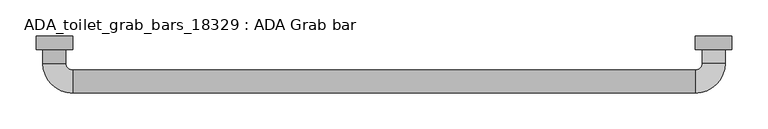
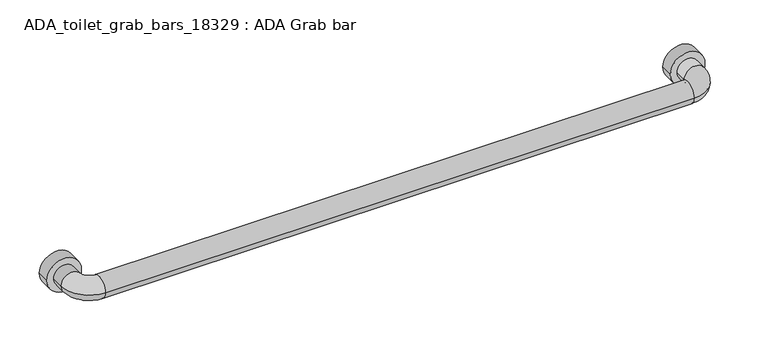
"""IFC4 building model written with IfcOpenShell, lengths in millimetres: proxy geometry, ADA_toilet_grab_bars_18329 : ADA Grab bar."""

import ifcopenshell
import ifcopenshell.guid

model = None  # the IFC model being written
_history = None  # IfcOwnerHistory: only IFC2X3 demands one
_inside = {}  # id of a spatial element -> (the spatial element, [elements in it])
_under = {}  # id of a project, library or spatial element -> (it, [spatial elements below it])
_declared = {}  # id of a project -> (the project, [libraries it declares])
_typed = {}  # id of a type object -> (the type object, [elements of that type])
_made_of = {}  # id of a material, layer set ... -> (it, [elements and type objects made of it])


def new_model(schema):
    """Start an empty IFC model of exactly this schema.

    Asked for "IFC4X3", IfcOpenShell would pick the latest addendum, in which some entities
    have other attributes; the version numbers below select the first issue.
    IFC2X3 requires an IfcOwnerHistory on every rooted entity: one is made here for all.
    """
    global model, _history
    if schema == "IFC4X3":
        model = ifcopenshell.file(schema_version=(4, 3, 0, 0))
    else:
        model = ifcopenshell.file(schema=schema)
    _inside.clear()
    _under.clear()
    _declared.clear()
    _typed.clear()
    _made_of.clear()
    _history = None
    if model.schema == "IFC2X3":
        org = make("IfcOrganization", Name="unknown")
        user = make(
            "IfcPersonAndOrganization",
            ThePerson=make("IfcPerson", FamilyName="unknown"),
            TheOrganization=org,
        )
        app = make(
            "IfcApplication",
            ApplicationDeveloper=org,
            Version="unknown",
            ApplicationFullName="unknown",
            ApplicationIdentifier="unknown",
        )
        _history = make(
            "IfcOwnerHistory",
            OwningUser=user,
            OwningApplication=app,
            ChangeAction="ADDED",
            CreationDate=0,
        )
    return model


def make(cls, **values):
    """One entity of the class cls with the attributes given. An attribute that is None is left unset."""
    return model.create_entity(
        cls, **{name: value for name, value in values.items() if value is not None}
    )


def rooted(cls, **values):
    """An entity with a GlobalId (a new one), such as an element, a storey or a relation."""
    return make(cls, GlobalId=ifcopenshell.guid.new(), OwnerHistory=_history, **values)


def si_unit(unit_type, name, prefix=None):
    """IfcSIUnit, for example si_unit("LENGTHUNIT", "METRE", prefix="MILLI")."""
    return make("IfcSIUnit", UnitType=unit_type, Prefix=prefix, Name=name)


def assignment(units):
    """IfcUnitAssignment: the units of a project."""
    return None if units is None else make("IfcUnitAssignment", Units=units)


def point(xyz):
    """IfcCartesianPoint."""
    return None if xyz is None else make("IfcCartesianPoint", Coordinates=xyz)


def direction(xyz):
    """IfcDirection."""
    return None if xyz is None else make("IfcDirection", DirectionRatios=xyz)


def frame(location, z_axis=None, x_axis=None):
    """IfcAxis2Placement3D, a coordinate frame: its origin and axes. An axis left out is left unset."""
    return make(
        "IfcAxis2Placement3D",
        Location=point(location),
        Axis=direction(z_axis),
        RefDirection=direction(x_axis),
    )


def frame_2d(location, x_axis=None):
    """IfcAxis2Placement2D, a coordinate frame in the plane: its origin and x axis."""
    return make(
        "IfcAxis2Placement2D", Location=point(location), RefDirection=direction(x_axis)
    )


def origin():
    """The frame at (0, 0, 0) with its axes left unset."""
    return frame((0.0, 0.0, 0.0))


def place(relative_to, where):
    """IfcLocalPlacement: puts the frame where relative to a parent placement (None: the world)."""
    return make(
        "IfcLocalPlacement", PlacementRelTo=relative_to, RelativePlacement=where
    )


def context(
    kind, dimensions, precision=None, world=None, true_north=None, identifier=None
):
    """IfcGeometricRepresentationContext, for example the 3D "Model" context."""
    return make(
        "IfcGeometricRepresentationContext",
        ContextIdentifier=identifier,
        ContextType=kind,
        CoordinateSpaceDimension=dimensions,
        Precision=precision,
        WorldCoordinateSystem=world,
        TrueNorth=true_north,
    )


def project(units=None, contexts=None):
    """IfcProject with its units and contexts."""
    return rooted(
        "IfcProject",
        Name="project",
        RepresentationContexts=contexts,
        UnitsInContext=assignment(units),
    )


def spatial(cls, under=None, at=None, **own):
    """A site, building, storey or space (cls), placed at a placement, below another one or the project."""
    s = rooted(cls, ObjectPlacement=at, **own)
    if under is not None:
        _under.setdefault(under.id(), (under, []))[1].append(s)
    return s


def circle_curve(where, radius):
    """IfcCircle in the frame where."""
    return make("IfcCircle", Position=where, Radius=radius)


def ellipse_curve(where, semi_axis1, semi_axis2):
    """IfcEllipse in the frame where."""
    return make(
        "IfcEllipse", Position=where, SemiAxis1=semi_axis1, SemiAxis2=semi_axis2
    )


def trimmed(basis, trim1, trim2, sense, master):
    """IfcTrimmedCurve: the piece of a basis curve between two trims."""
    return make(
        "IfcTrimmedCurve",
        BasisCurve=basis,
        Trim1=trim1,
        Trim2=trim2,
        SenseAgreement=sense,
        MasterRepresentation=master,
    )


def segment(curve, same_sense, transition):
    """IfcCompositeCurveSegment."""
    return make(
        "IfcCompositeCurveSegment",
        Transition=transition,
        SameSense=same_sense,
        ParentCurve=curve,
    )


def composite_curve(segments, self_intersect=None):
    """IfcCompositeCurve: segments joined end to end."""
    return make("IfcCompositeCurve", Segments=segments, SelfIntersect=self_intersect)


def outline(outer, holes=None, kind="AREA"):
    """IfcArbitraryClosedProfileDef: a profile drawn as a closed curve; with holes, ...WithVoids."""
    if holes is None:
        return make("IfcArbitraryClosedProfileDef", ProfileType=kind, OuterCurve=outer)
    return make(
        "IfcArbitraryProfileDefWithVoids",
        ProfileType=kind,
        OuterCurve=outer,
        InnerCurves=holes,
    )


def extrude(swept, where, along, depth):
    """IfcExtrudedAreaSolid: the profile swept, set in the frame where, extruded along a direction by depth."""
    return make(
        "IfcExtrudedAreaSolid",
        SweptArea=swept,
        Position=where,
        ExtrudedDirection=direction(along),
        Depth=depth,
    )


def shape(context_of_items, identifier, shape_type, items):
    """IfcShapeRepresentation: the items that make up one representation, for example the "Body"."""
    return make(
        "IfcShapeRepresentation",
        ContextOfItems=context_of_items,
        RepresentationIdentifier=identifier,
        RepresentationType=shape_type,
        Items=items,
    )


def source(mapping_origin, context_of_items, identifier, shape_type, items):
    """IfcRepresentationMap: a shape defined once, which mapped items show again and again."""
    return make(
        "IfcRepresentationMap",
        MappingOrigin=mapping_origin,
        MappedRepresentation=shape(context_of_items, identifier, shape_type, items),
    )


def transform(
    local_origin,
    x_axis=None,
    y_axis=None,
    z_axis=None,
    scale=None,
    scale2=None,
    scale3=None,
    uniform=True,
):
    """IfcCartesianTransformationOperator3D, or its non-uniform kind. x_axis, y_axis, z_axis: its Axis1, 2, 3."""
    if uniform:
        return make(
            "IfcCartesianTransformationOperator3D",
            Axis1=direction(x_axis),
            Axis2=direction(y_axis),
            LocalOrigin=point(local_origin),
            Scale=scale,
            Axis3=direction(z_axis),
        )
    return make(
        "IfcCartesianTransformationOperator3DnonUniform",
        Axis1=direction(x_axis),
        Axis2=direction(y_axis),
        LocalOrigin=point(local_origin),
        Scale=scale,
        Axis3=direction(z_axis),
        Scale2=scale2,
        Scale3=scale3,
    )


def mapped(mapping_source, mapping_target):
    """IfcMappedItem: shows the shape of a source again, moved by a transform."""
    return make(
        "IfcMappedItem", MappingSource=mapping_source, MappingTarget=mapping_target
    )


def made_of(thing, what):
    """Note that an element or type object is made of a material, layer set ...; save() writes the relation."""
    if what is not None:
        _made_of.setdefault(what.id(), (what, []))[1].append(thing)
    return thing


def element(
    cls,
    number,
    at=None,
    inside=None,
    cuts=None,
    type_object=None,
    material=None,
    context=None,
    identifier="Body",
    shape_type=None,
    held_by="IfcProductDefinitionShape",
    body=None,
    shapes=None,
    **own,
):
    """One element of the class cls, such as IfcWall. Its Tag is "e" and its number.

    at: its placement. inside: the storey or other place that contains it. cuts: it is an
    opening in that element (IfcRelVoidsElement). A single representation is given by context,
    identifier, shape_type and body (its items); several are given by shapes. held_by: the class
    of the entity that holds the representations. save() writes the other relations.
    """
    e = rooted(cls, Tag="e%d" % number, ObjectPlacement=at, **own)
    if body is not None:
        shapes = [shape(context, identifier, shape_type, body)]
    if shapes is not None:
        e.Representation = make(held_by, Representations=shapes)
    if inside is not None:
        _inside.setdefault(inside.id(), (inside, []))[1].append(e)
    if cuts is not None:
        rooted(
            "IfcRelVoidsElement", RelatingBuildingElement=cuts, RelatedOpeningElement=e
        )
    if type_object is not None:
        _typed.setdefault(type_object.id(), (type_object, []))[1].append(e)
    return made_of(e, material)


def aggregate(whole, parts):
    """IfcRelAggregates: a whole, such as a stair, and the parts it consists of."""
    return rooted("IfcRelAggregates", RelatingObject=whole, RelatedObjects=parts)


def save(model, path):
    """Write the relations noted so far, then the file.

    IfcRelAggregates (storeys below a building ...), IfcRelContainedInSpatialStructure (elements
    in a storey), IfcRelDefinesByType, IfcRelAssociatesMaterial and IfcRelDeclares: one each for
    every whole, place, type object, material and project.
    """
    for whole, parts in _under.values():
        aggregate(whole, parts)
    for where, things in _inside.values():
        rooted(
            "IfcRelContainedInSpatialStructure",
            RelatedElements=things,
            RelatingStructure=where,
        )
    for kind, things in _typed.values():
        rooted("IfcRelDefinesByType", RelatedObjects=things, RelatingType=kind)
    for what, things in _made_of.values():
        rooted("IfcRelAssociatesMaterial", RelatedObjects=things, RelatingMaterial=what)
    for by, libraries in _declared.values():
        rooted("IfcRelDeclares", RelatingContext=by, RelatedDefinitions=libraries)
    model.write(path)


def plane_surface(at):
    """IfcPlane: the flat surface through the origin of the frame at, square to its z axis."""
    return make("IfcPlane", Position=at)


def cylinder_surface(at, radius):
    """IfcCylindricalSurface: all points at the distance radius from the z axis of the frame at."""
    return make("IfcCylindricalSurface", Position=at, Radius=radius)


def revolved_surface(curve, axis_point, axis_direction):
    """IfcSurfaceOfRevolution: the curve turned about the line through axis_point along axis_direction."""
    return make(
        "IfcSurfaceOfRevolution",
        SweptCurve=make("IfcArbitraryOpenProfileDef", ProfileType="CURVE", Curve=curve),
        AxisPosition=make("IfcAxis1Placement", Location=point(axis_point), Axis=direction(axis_direction)),
    )


def advanced_brep(points, edges, surfaces, faces):
    """IfcAdvancedBrep: a solid bounded by faces that lie on surfaces and meet in shared edges.

    An edge is (start, end): straight between two places in points (the first is 0);
    or (start, end, curve); or (start, end, curve, False) where it runs against its curve.
    A face is (place in surfaces, loops), or (place, loops, False) where it looks against
    its surface's normal. A loop lists edges by number (the first is 1), with a minus sign
    where the edge is run from its end to its start. The first loop is the outer one.
    """
    corners = [point(p) for p in points]
    vertices = [make("IfcVertexPoint", VertexGeometry=c) for c in corners]
    made = []
    for start, end, *more in edges:
        made.append(
            make(
                "IfcEdgeCurve",
                EdgeStart=vertices[start],
                EdgeEnd=vertices[end],
                EdgeGeometry=more[0] if more else make("IfcPolyline", Points=[corners[start], corners[end]]),
                SameSense=more[1] if len(more) > 1 else True,
            )
        )
    hull = []
    for where, loops, *sense in faces:
        bounds = []
        for j, loop in enumerate(loops):
            ring = [make("IfcOrientedEdge", EdgeElement=made[abs(k) - 1], Orientation=k > 0) for k in loop]
            bounds.append(
                make(
                    "IfcFaceOuterBound" if j == 0 else "IfcFaceBound",
                    Bound=make("IfcEdgeLoop", EdgeList=ring),
                    Orientation=True,
                )
            )
        hull.append(make("IfcAdvancedFace", Bounds=bounds, FaceSurface=surfaces[where], SameSense=sense[0] if sense else True))
    return make("IfcAdvancedBrep", Outer=make("IfcClosedShell", CfsFaces=hull))


def ada_toilet_grab_bars_18329_ada_grab_bar_c1a410b9(model_context):
    return source(origin(), model_context, "Body", "SolidModel", [
        extrude(outline(composite_curve([segment(trimmed(circle_curve(frame_2d((863.6, -152.4)), 25.4), [point((863.6, -177.8))], [point((863.6, -127.0))], False, "CARTESIAN"), True, "CONTINUOUS"), segment(trimmed(circle_curve(frame_2d((863.6, -152.4)), 25.4), [point((863.6, -127.0))], [point((863.6, -177.8))], False, "CARTESIAN"), True, "CONTINUOUS")], self_intersect=False)), frame((0.0, -19.05, 0.0), z_axis=(0.0, 1.0, 0.0), x_axis=(0.0, 0.0, 1.0)), (0.0, 0.0, 1.0), 19.05),
        extrude(outline(composite_curve([segment(trimmed(circle_curve(frame_2d((863.6, -1066.8)), 25.4), [point((863.6, -1092.2))], [point((863.6, -1041.4))], False, "CARTESIAN"), True, "CONTINUOUS"), segment(trimmed(circle_curve(frame_2d((863.6, -1066.8)), 25.4), [point((863.6, -1041.4))], [point((863.6, -1092.2))], False, "CARTESIAN"), True, "CONTINUOUS")], self_intersect=False)), frame((0.0, -19.05, 0.0), z_axis=(0.0, 1.0, 0.0), x_axis=(0.0, 0.0, 1.0)), (0.0, 0.0, 1.0), 19.05),
        advanced_brep(
        [(-1050.925, -19.05, 863.6), (-1082.675, -19.05, 863.6), (-1082.675, -38.1, 863.6), (-1050.925, -38.1, 863.6), (-1041.4, -79.375, 863.6), (-1041.4, -47.625, 863.6), (-177.8, -79.375, 863.6), (-177.8, -47.625, 863.6), (-136.525, -38.1, 863.6), (-168.275, -38.1, 863.6), (-168.275, -19.05, 863.6), (-136.525, -19.05, 863.6)],
        [
            (0, 1, circle_curve(frame((-1066.8, -19.05, 863.6), z_axis=(0.0, 1.0, 0.0), x_axis=(-1.0, 0.0, 0.0)), 15.875)),
            (1, 0, circle_curve(frame((-1066.8, -19.05, 863.6), z_axis=(0.0, 1.0, 0.0), x_axis=(-1.0, 0.0, 0.0)), 15.875)),
            (1, 2),
            (2, 3, circle_curve(frame((-1066.8, -38.1, 863.6), z_axis=(0.0, 1.0, 0.0), x_axis=(-1.0, 0.0, 0.0)), 15.875)),
            (3, 0),
            (3, 2, circle_curve(frame((-1066.8, -38.1, 863.6), z_axis=(0.0, 1.0, 0.0), x_axis=(-1.0, 0.0, 0.0)), 15.875)),
            (4, 5, circle_curve(frame((-1041.4, -63.5, 863.6), z_axis=(-1.0, 0.0, 0.0), x_axis=(0.0, -1.0, 0.0)), 15.875)),
            (5, 3, circle_curve(frame((-1041.4, -38.1, 863.6), z_axis=(0.0, 0.0, -1.0), x_axis=(-1.0, 0.0, 0.0)), 9.525)),
            (2, 4, circle_curve(frame((-1041.4, -38.1, 863.6), z_axis=(0.0, 0.0, 1.0), x_axis=(-1.0, 0.0, 0.0)), 41.275)),
            (5, 4, circle_curve(frame((-1041.4, -63.5, 863.6), z_axis=(-1.0, 0.0, 0.0), x_axis=(0.0, -1.0, 0.0)), 15.875)),
            (4, 6),
            (6, 7, circle_curve(frame((-177.8, -63.5, 863.6), z_axis=(-1.0, 0.0, 0.0), x_axis=(0.0, -1.0, 0.0)), 15.875)),
            (7, 5),
            (7, 6, circle_curve(frame((-177.8, -63.5, 863.6), z_axis=(-1.0, 0.0, 0.0), x_axis=(0.0, -1.0, 0.0)), 15.875)),
            (8, 9, circle_curve(frame((-152.4, -38.1, 863.6), z_axis=(0.0, -1.0, 0.0), x_axis=(1.0, 0.0, 0.0)), 15.875)),
            (9, 7, circle_curve(frame((-177.8, -38.1, 863.6), z_axis=(0.0, 0.0, -1.0), x_axis=(0.0, -1.0, 0.0)), 9.525)),
            (6, 8, circle_curve(frame((-177.8, -38.1, 863.6), z_axis=(0.0, 0.0, 1.0), x_axis=(0.0, -1.0, 0.0)), 41.275)),
            (9, 8, circle_curve(frame((-152.4, -38.1, 863.6), z_axis=(0.0, -1.0, 0.0), x_axis=(1.0, 0.0, 0.0)), 15.875)),
            (10, 11, circle_curve(frame((-152.4, -19.05, 863.6), z_axis=(0.0, 1.0, 0.0), x_axis=(1.0, 0.0, 0.0)), 15.875)),
            (11, 10, circle_curve(frame((-152.4, -19.05, 863.6), z_axis=(0.0, 1.0, 0.0), x_axis=(1.0, 0.0, 0.0)), 15.875)),
            (8, 11),
            (10, 9),
        ],
        [
            plane_surface(frame((-1946.275, -19.05, 0.0), z_axis=(0.0, 1.0, 0.0), x_axis=(0.0, 0.0, 1.0))),
            cylinder_surface(frame((-1066.8, -19.05, 863.6), z_axis=(0.0, 1.0, 0.0), x_axis=(-1.0, 0.0, 0.0)), 15.875),
            revolved_surface(trimmed(ellipse_curve(frame((-1066.8, -38.1, 863.6), z_axis=(0.0, -1.0, 0.0), x_axis=(-1.0, 0.0, 0.0)), 15.875, 15.875), [point((-1050.925, -38.1, 863.6))], [point((-1082.675, -38.1, 863.6))], True, "CARTESIAN"), (-1041.4, -38.1, 0.0), (0.0, 0.0, -1.0)),
            revolved_surface(trimmed(ellipse_curve(frame((-1066.8, -38.1, 863.6), z_axis=(0.0, -1.0, 0.0), x_axis=(-1.0, 0.0, 0.0)), 15.875, 15.875), [point((-1082.675, -38.1, 863.6))], [point((-1050.925, -38.1, 863.6))], True, "CARTESIAN"), (-1041.4, -38.1, 0.0), (0.0, 0.0, -1.0)),
            cylinder_surface(frame((-1041.4, -63.5, 863.6), z_axis=(-1.0, 0.0, 0.0), x_axis=(0.0, -1.0, 0.0)), 15.875),
            revolved_surface(trimmed(ellipse_curve(frame((-177.8, -63.5, 863.6), z_axis=(1.0, 0.0, 0.0), x_axis=(0.0, -1.0, 0.0)), 15.875, 15.875), [point((-177.8, -47.625, 863.6))], [point((-177.8, -79.375, 863.6))], True, "CARTESIAN"), (-177.8, -38.1, 0.0), (0.0, 0.0, -1.0)),
            revolved_surface(trimmed(ellipse_curve(frame((-177.8, -63.5, 863.6), z_axis=(1.0, 0.0, 0.0), x_axis=(0.0, -1.0, 0.0)), 15.875, 15.875), [point((-177.8, -79.375, 863.6))], [point((-177.8, -47.625, 863.6))], True, "CARTESIAN"), (-177.8, -38.1, 0.0), (0.0, 0.0, -1.0)),
            plane_surface(frame((-1031.875, -19.05, 0.0), z_axis=(0.0, 1.0, 0.0), x_axis=(0.0, 0.0, -1.0))),
            cylinder_surface(frame((-152.4, -38.1, 863.6), z_axis=(0.0, -1.0, 0.0), x_axis=(1.0, 0.0, 0.0)), 15.875),
        ],
        [
            (0, [[1, 2]]),
            (1, [[3, 4, 5, -2]]),
            (1, [[-5, 6, -3, -1]]),
            (2, [[7, 8, -4, 9]]),
            (3, [[10, -9, -6, -8]]),
            (4, [[11, 12, 13, -7]]),
            (4, [[-13, 14, -11, -10]]),
            (5, [[15, 16, -12, 17]]),
            (6, [[18, -17, -14, -16]]),
            (7, [[19, 20]]),
            (8, [[21, -19, 22, -15]]),
            (8, [[-22, -20, -21, -18]]),
        ],
    ),
    ])


if __name__ == "__main__":
    model = new_model("IFC4")
    model_context = context("Model", 3, world=origin())
    ifc_project = project(units=[si_unit("LENGTHUNIT", "METRE", prefix="MILLI")], contexts=[model_context])
    site = spatial("IfcSite", under=ifc_project)
    building = spatial("IfcBuilding", under=site)
    placement = place(None, origin())
    ada_toilet_grab_bars_18329_ada_grab_bar_shape = ada_toilet_grab_bars_18329_ada_grab_bar_c1a410b9(model_context)
    element("IfcBuildingElementProxy", 1, Name="ADA_toilet_grab_bars_18329 : ADA Grab bar", ObjectType="ADA_toilet_grab_bars_18329 : ADA Grab bar", at=placement, inside=building, context=model_context, shape_type="MappedRepresentation", body=[
        mapped(ada_toilet_grab_bars_18329_ada_grab_bar_shape, transform((0.0, 0.0, 0.0), x_axis=(1.0, 0.0, 0.0), y_axis=(0.0, 1.0, 0.0), z_axis=(0.0, 0.0, 1.0))),
    ])
    save(model, "model.ifc")
